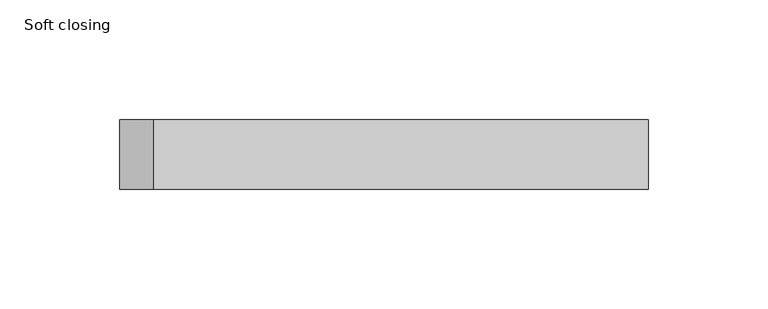
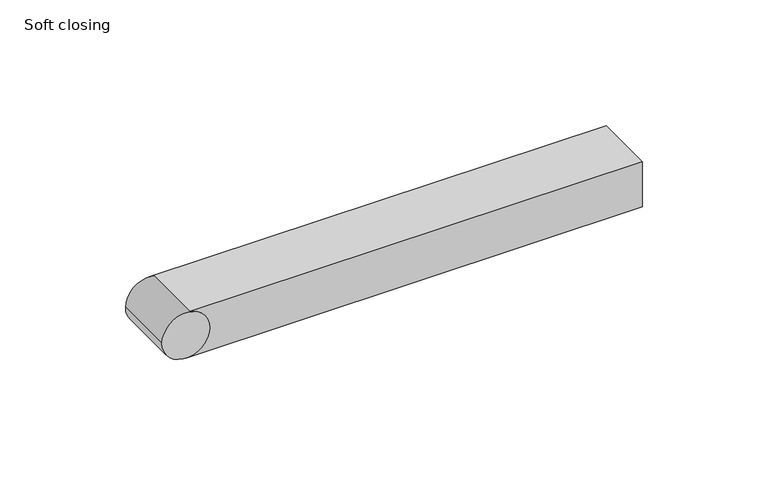
"""IFC4 building model written with IfcOpenShell, lengths in millimetres: proxy geometry, Soft closing."""

from ifc_helpers import new_model, si_unit, point, frame, frame_2d, origin, origin_with_axes, place, context, project, spatial, polyline, circle_curve, trimmed, segment, composite_curve, outline, extrude, source, transform, mapped, element, save


def soft_closing_f9185e1a(model_context):
    return source(origin(), model_context, "Body", "SweptSolid", [
        extrude(outline(composite_curve([segment(trimmed(circle_curve(frame_2d((11.0, -167.85)), 11.0), [point((11.0, -178.85))], [point((11.0, -156.85))], False, "CARTESIAN"), True, "CONTINUOUS"), segment(trimmed(circle_curve(frame_2d((11.0, -167.85)), 11.0), [point((11.0, -156.85))], [point((11.0, -178.85))], False, "CARTESIAN"), True, "CONTINUOUS")], self_intersect=False)), frame((0.0, -29.0, 0.0), z_axis=(0.0, 1.0, 0.0), x_axis=(0.0, 0.0, 1.0)), (0.0, 0.0, 1.0), 29.0),
        extrude(outline(polyline([(42.15, 0.0), (42.15, -29.0), (-167.85, -29.0), (-167.85, 0.0), (42.15, 0.0)])), origin_with_axes(), (0.0, 0.0, 1.0), 22.0),
    ])


if __name__ == "__main__":
    model = new_model("IFC4")
    model_context = context("Model", 3, world=origin())
    ifc_project = project(units=[si_unit("LENGTHUNIT", "METRE", prefix="MILLI")], contexts=[model_context])
    site = spatial("IfcSite", under=ifc_project)
    building = spatial("IfcBuilding", under=site)
    placement = place(None, origin())
    soft_closing_shape = soft_closing_f9185e1a(model_context)
    element("IfcBuildingElementProxy", 1, Name="Soft closing", ObjectType="Soft closing", at=placement, inside=building, context=model_context, shape_type="MappedRepresentation", body=[
        mapped(soft_closing_shape, transform((0.0, 0.0, 0.0), x_axis=(1.0, 0.0, 0.0), y_axis=(0.0, 1.0, 0.0), z_axis=(0.0, 0.0, 1.0))),
    ])
    save(model, "model.ifc")
